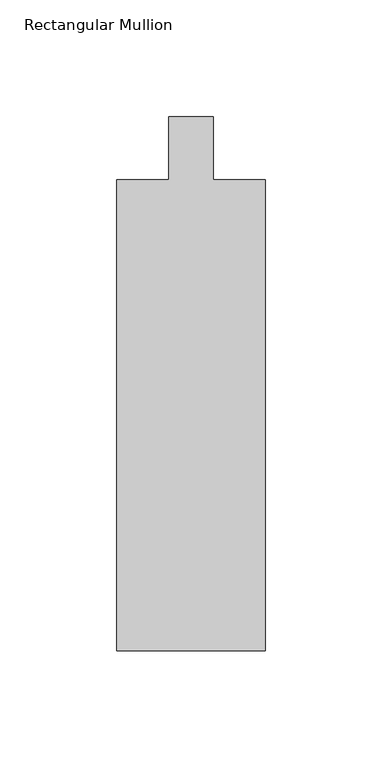
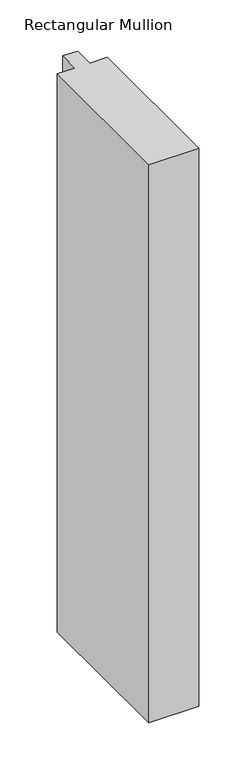
"""IFC4 building model written with IfcOpenShell, lengths in millimetres: member geometry, Rectangular Mullion."""

from ifc_helpers import new_model, si_unit, frame, origin, place, context, project, spatial, polyline, outline, extrude, source, transform, mapped, element, save


def rectangular_mullion_8ed8d436(model_context):
    return source(origin(), model_context, "Body", "SweptSolid", [
        extrude(outline(polyline([(-63.5, -228.6), (-63.5, -26.9875), (-41.275, -26.9875), (-41.275, 0.0), (-22.225, 0.0), (-22.225, -26.9875), (0.0, -26.9875), (0.0, -228.6), (-63.5, -228.6)])), frame((0.0, 0.0, -752.475), z_axis=(0.0, 0.0, 1.0), x_axis=(1.0, 0.0, 0.0)), (0.0, 0.0, 1.0), 752.475),
    ])


if __name__ == "__main__":
    model = new_model("IFC4")
    model_context = context("Model", 3, world=origin())
    ifc_project = project(units=[si_unit("LENGTHUNIT", "METRE", prefix="MILLI")], contexts=[model_context])
    site = spatial("IfcSite", under=ifc_project)
    building = spatial("IfcBuilding", under=site)
    placement = place(None, origin())
    rectangular_mullion_shape = rectangular_mullion_8ed8d436(model_context)
    element("IfcMember", 1, ObjectType="Rectangular Mullion", at=placement, inside=building, context=model_context, shape_type="MappedRepresentation", body=[
        mapped(rectangular_mullion_shape, transform((0.0, 0.0, 0.0), x_axis=(1.0, 0.0, 0.0), y_axis=(0.0, 1.0, 0.0), z_axis=(0.0, 0.0, 1.0))),
    ])
    save(model, "model.ifc")
